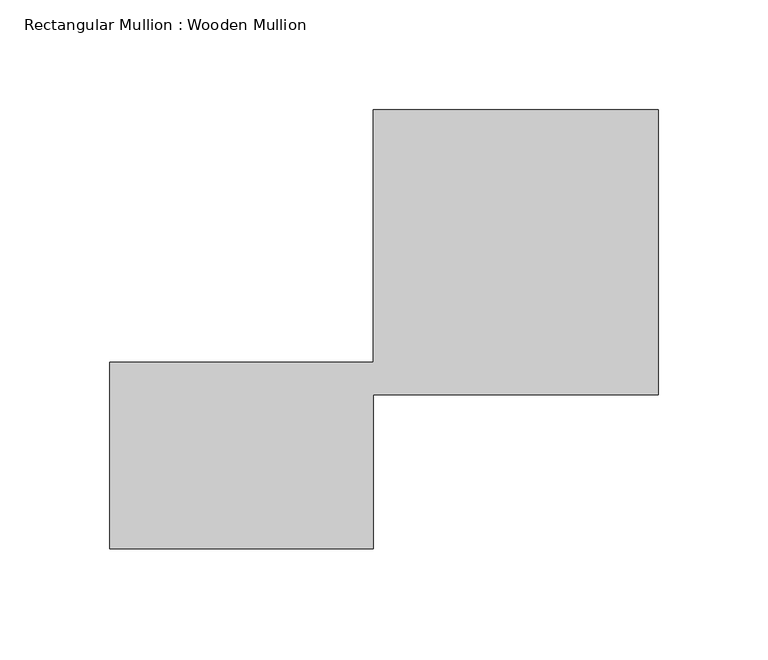
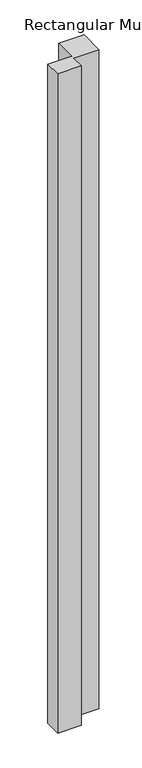
"""IFC4 building model written with IfcOpenShell, lengths in millimetres: member geometry, Rectangular Mullion : Wooden Mullion."""

from ifc_helpers import new_model, si_unit, frame, origin, place, context, project, spatial, polyline, outline, extrude, source, transform, mapped, element, save


def rectangular_mullion_wooden_mullion_d9779725(model_context):
    return source(origin(), model_context, "Body", "SweptSolid", [
        extrude(outline(polyline([(74.8100006, -26.0137344), (-45.1899994, -26.0137344), (-45.1899994, 58.9862656), (74.8100006, 58.9862656), (74.8100006, 173.9862656), (204.8100006, 173.9862656), (204.8100006, 43.9862656), (74.8100006, 43.9862656), (74.8100006, -26.0137344)])), frame((0.0, 0.0, -3542.1842884), z_axis=(0.0, 0.0, 1.0), x_axis=(1.0, 0.0, 0.0)), (0.0, 0.0, 1.0), 3542.1842884),
    ])


if __name__ == "__main__":
    model = new_model("IFC4")
    model_context = context("Model", 3, world=origin())
    ifc_project = project(units=[si_unit("LENGTHUNIT", "METRE", prefix="MILLI")], contexts=[model_context])
    site = spatial("IfcSite", under=ifc_project)
    building = spatial("IfcBuilding", under=site)
    placement = place(None, origin())
    rectangular_mullion_wooden_mullion_shape = rectangular_mullion_wooden_mullion_d9779725(model_context)
    element("IfcMember", 1, ObjectType="Rectangular Mullion : Wooden Mullion", at=placement, inside=building, context=model_context, shape_type="MappedRepresentation", body=[
        mapped(rectangular_mullion_wooden_mullion_shape, transform((0.0, 0.0, 0.0), x_axis=(1.0, 0.0, 0.0), y_axis=(0.0, 1.0, 0.0), z_axis=(0.0, 0.0, 1.0))),
    ])
    save(model, "model.ifc")
